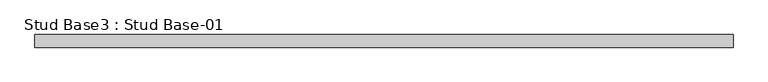
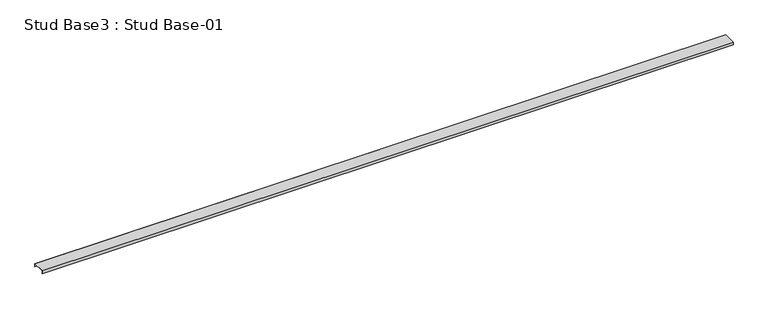
"""IFC4 building model written with IfcOpenShell, lengths in millimetres: proxy geometry, Stud Base3 : Stud Base-01."""

from ifc_helpers import new_model, si_unit, frame, origin, place, context, project, spatial, polyline, outline, extrude, source, transform, mapped, element, save


def stud_base3_stud_base_01_858112d6(model_context):
    return source(origin(), model_context, "Body", "SweptSolid", [
        extrude(outline(polyline([(-487.1, 9050.0), (-487.1, 9013.0), (-488.6, 9013.0), (-488.6, 9048.0), (-639.6109375, 9048.0), (-639.6109375, 9013.0), (-641.1109375, 9013.0), (-641.1109375, 9050.0), (-487.1, 9050.0)])), frame((-13774.1749894, 0.0, 0.0), z_axis=(1.0, 0.0, 0.0), x_axis=(0.0, 1.0, 0.0)), (0.0, 0.0, 1.0), 8540.0),
    ])


if __name__ == "__main__":
    model = new_model("IFC4")
    model_context = context("Model", 3, world=origin())
    ifc_project = project(units=[si_unit("LENGTHUNIT", "METRE", prefix="MILLI")], contexts=[model_context])
    site = spatial("IfcSite", under=ifc_project)
    building = spatial("IfcBuilding", under=site)
    placement = place(None, origin())
    stud_base3_stud_base_01_shape = stud_base3_stud_base_01_858112d6(model_context)
    element("IfcBuildingElementProxy", 1, Name="Stud Base3 : Stud Base-01", ObjectType="Stud Base3 : Stud Base-01", at=placement, inside=building, context=model_context, shape_type="MappedRepresentation", body=[
        mapped(stud_base3_stud_base_01_shape, transform((0.0, 0.0, 0.0), x_axis=(1.0, 0.0, 0.0), y_axis=(0.0, 1.0, 0.0), z_axis=(0.0, 0.0, 1.0))),
    ])
    save(model, "model.ifc")
